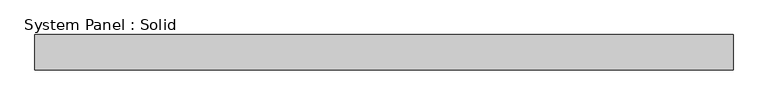
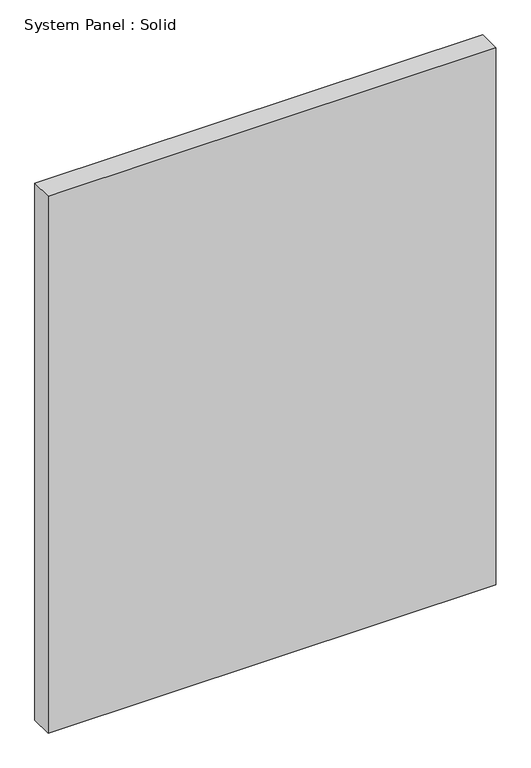
"""IFC4 building model written with IfcOpenShell, lengths in millimetres: plate geometry, System Panel : Solid."""

from ifc_helpers import new_model, si_unit, origin, origin_with_axes, place, context, project, spatial, polyline, outline, extrude, source, transform, mapped, element, save


def system_panel_solid_2d8a2985(model_context):
    return source(origin(), model_context, "Body", "SweptSolid", [
        extrude(outline(polyline([(591.6382567, -10.5), (-591.6382567, -10.5), (-591.6382567, 49.5), (591.6382567, 49.5), (591.6382567, -10.5)])), origin_with_axes(), (0.0, 0.0, 1.0), 1500.0),
    ])


if __name__ == "__main__":
    model = new_model("IFC4")
    model_context = context("Model", 3, world=origin())
    ifc_project = project(units=[si_unit("LENGTHUNIT", "METRE", prefix="MILLI")], contexts=[model_context])
    site = spatial("IfcSite", under=ifc_project)
    building = spatial("IfcBuilding", under=site)
    placement = place(None, origin())
    system_panel_solid_shape = system_panel_solid_2d8a2985(model_context)
    element("IfcPlate", 1, ObjectType="System Panel : Solid", at=placement, inside=building, context=model_context, shape_type="MappedRepresentation", body=[
        mapped(system_panel_solid_shape, transform((0.0, 0.0, 0.0), x_axis=(1.0, 0.0, 0.0), y_axis=(0.0, 1.0, 0.0), z_axis=(0.0, 0.0, 1.0))),
    ])
    save(model, "model.ifc")
